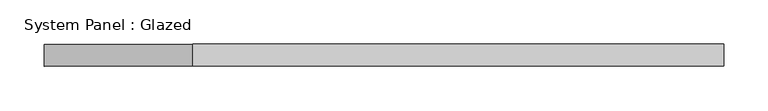
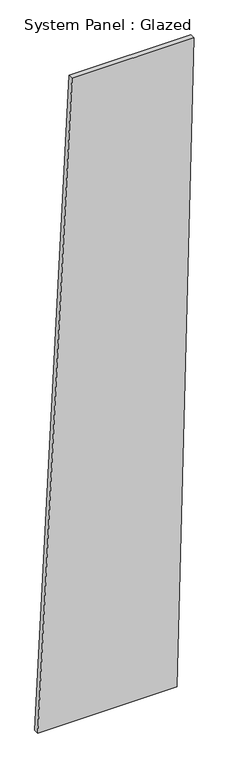
"""IFC4 building model written with IfcOpenShell, lengths in millimetres: plate geometry, System Panel : Glazed."""

import ifcopenshell
import ifcopenshell.guid

model = None  # the IFC model being written
_history = None  # IfcOwnerHistory: only IFC2X3 demands one
_inside = {}  # id of a spatial element -> (the spatial element, [elements in it])
_under = {}  # id of a project, library or spatial element -> (it, [spatial elements below it])
_declared = {}  # id of a project -> (the project, [libraries it declares])
_typed = {}  # id of a type object -> (the type object, [elements of that type])
_made_of = {}  # id of a material, layer set ... -> (it, [elements and type objects made of it])


def new_model(schema):
    """Start an empty IFC model of exactly this schema.

    Asked for "IFC4X3", IfcOpenShell would pick the latest addendum, in which some entities
    have other attributes; the version numbers below select the first issue.
    IFC2X3 requires an IfcOwnerHistory on every rooted entity: one is made here for all.
    """
    global model, _history
    if schema == "IFC4X3":
        model = ifcopenshell.file(schema_version=(4, 3, 0, 0))
    else:
        model = ifcopenshell.file(schema=schema)
    _inside.clear()
    _under.clear()
    _declared.clear()
    _typed.clear()
    _made_of.clear()
    _history = None
    if model.schema == "IFC2X3":
        org = make("IfcOrganization", Name="unknown")
        user = make(
            "IfcPersonAndOrganization",
            ThePerson=make("IfcPerson", FamilyName="unknown"),
            TheOrganization=org,
        )
        app = make(
            "IfcApplication",
            ApplicationDeveloper=org,
            Version="unknown",
            ApplicationFullName="unknown",
            ApplicationIdentifier="unknown",
        )
        _history = make(
            "IfcOwnerHistory",
            OwningUser=user,
            OwningApplication=app,
            ChangeAction="ADDED",
            CreationDate=0,
        )
    return model


def make(cls, **values):
    """One entity of the class cls with the attributes given. An attribute that is None is left unset."""
    return model.create_entity(
        cls, **{name: value for name, value in values.items() if value is not None}
    )


def rooted(cls, **values):
    """An entity with a GlobalId (a new one), such as an element, a storey or a relation."""
    return make(cls, GlobalId=ifcopenshell.guid.new(), OwnerHistory=_history, **values)


def si_unit(unit_type, name, prefix=None):
    """IfcSIUnit, for example si_unit("LENGTHUNIT", "METRE", prefix="MILLI")."""
    return make("IfcSIUnit", UnitType=unit_type, Prefix=prefix, Name=name)


def assignment(units):
    """IfcUnitAssignment: the units of a project."""
    return None if units is None else make("IfcUnitAssignment", Units=units)


def point(xyz):
    """IfcCartesianPoint."""
    return None if xyz is None else make("IfcCartesianPoint", Coordinates=xyz)


def direction(xyz):
    """IfcDirection."""
    return None if xyz is None else make("IfcDirection", DirectionRatios=xyz)


def frame(location, z_axis=None, x_axis=None):
    """IfcAxis2Placement3D, a coordinate frame: its origin and axes. An axis left out is left unset."""
    return make(
        "IfcAxis2Placement3D",
        Location=point(location),
        Axis=direction(z_axis),
        RefDirection=direction(x_axis),
    )


def origin():
    """The frame at (0, 0, 0) with its axes left unset."""
    return frame((0.0, 0.0, 0.0))


def place(relative_to, where):
    """IfcLocalPlacement: puts the frame where relative to a parent placement (None: the world)."""
    return make(
        "IfcLocalPlacement", PlacementRelTo=relative_to, RelativePlacement=where
    )


def context(
    kind, dimensions, precision=None, world=None, true_north=None, identifier=None
):
    """IfcGeometricRepresentationContext, for example the 3D "Model" context."""
    return make(
        "IfcGeometricRepresentationContext",
        ContextIdentifier=identifier,
        ContextType=kind,
        CoordinateSpaceDimension=dimensions,
        Precision=precision,
        WorldCoordinateSystem=world,
        TrueNorth=true_north,
    )


def project(units=None, contexts=None):
    """IfcProject with its units and contexts."""
    return rooted(
        "IfcProject",
        Name="project",
        RepresentationContexts=contexts,
        UnitsInContext=assignment(units),
    )


def spatial(cls, under=None, at=None, **own):
    """A site, building, storey or space (cls), placed at a placement, below another one or the project."""
    s = rooted(cls, ObjectPlacement=at, **own)
    if under is not None:
        _under.setdefault(under.id(), (under, []))[1].append(s)
    return s


def polyline(points):
    """IfcPolyline through the points."""
    return make("IfcPolyline", Points=[point(p) for p in points])


def outline(outer, holes=None, kind="AREA"):
    """IfcArbitraryClosedProfileDef: a profile drawn as a closed curve; with holes, ...WithVoids."""
    if holes is None:
        return make("IfcArbitraryClosedProfileDef", ProfileType=kind, OuterCurve=outer)
    return make(
        "IfcArbitraryProfileDefWithVoids",
        ProfileType=kind,
        OuterCurve=outer,
        InnerCurves=holes,
    )


def extrude(swept, where, along, depth):
    """IfcExtrudedAreaSolid: the profile swept, set in the frame where, extruded along a direction by depth."""
    return make(
        "IfcExtrudedAreaSolid",
        SweptArea=swept,
        Position=where,
        ExtrudedDirection=direction(along),
        Depth=depth,
    )


def shape(context_of_items, identifier, shape_type, items):
    """IfcShapeRepresentation: the items that make up one representation, for example the "Body"."""
    return make(
        "IfcShapeRepresentation",
        ContextOfItems=context_of_items,
        RepresentationIdentifier=identifier,
        RepresentationType=shape_type,
        Items=items,
    )


def source(mapping_origin, context_of_items, identifier, shape_type, items):
    """IfcRepresentationMap: a shape defined once, which mapped items show again and again."""
    return make(
        "IfcRepresentationMap",
        MappingOrigin=mapping_origin,
        MappedRepresentation=shape(context_of_items, identifier, shape_type, items),
    )


def transform(
    local_origin,
    x_axis=None,
    y_axis=None,
    z_axis=None,
    scale=None,
    scale2=None,
    scale3=None,
    uniform=True,
):
    """IfcCartesianTransformationOperator3D, or its non-uniform kind. x_axis, y_axis, z_axis: its Axis1, 2, 3."""
    if uniform:
        return make(
            "IfcCartesianTransformationOperator3D",
            Axis1=direction(x_axis),
            Axis2=direction(y_axis),
            LocalOrigin=point(local_origin),
            Scale=scale,
            Axis3=direction(z_axis),
        )
    return make(
        "IfcCartesianTransformationOperator3DnonUniform",
        Axis1=direction(x_axis),
        Axis2=direction(y_axis),
        LocalOrigin=point(local_origin),
        Scale=scale,
        Axis3=direction(z_axis),
        Scale2=scale2,
        Scale3=scale3,
    )


def mapped(mapping_source, mapping_target):
    """IfcMappedItem: shows the shape of a source again, moved by a transform."""
    return make(
        "IfcMappedItem", MappingSource=mapping_source, MappingTarget=mapping_target
    )


def made_of(thing, what):
    """Note that an element or type object is made of a material, layer set ...; save() writes the relation."""
    if what is not None:
        _made_of.setdefault(what.id(), (what, []))[1].append(thing)
    return thing


def element(
    cls,
    number,
    at=None,
    inside=None,
    cuts=None,
    type_object=None,
    material=None,
    context=None,
    identifier="Body",
    shape_type=None,
    held_by="IfcProductDefinitionShape",
    body=None,
    shapes=None,
    **own,
):
    """One element of the class cls, such as IfcWall. Its Tag is "e" and its number.

    at: its placement. inside: the storey or other place that contains it. cuts: it is an
    opening in that element (IfcRelVoidsElement). A single representation is given by context,
    identifier, shape_type and body (its items); several are given by shapes. held_by: the class
    of the entity that holds the representations. save() writes the other relations.
    """
    e = rooted(cls, Tag="e%d" % number, ObjectPlacement=at, **own)
    if body is not None:
        shapes = [shape(context, identifier, shape_type, body)]
    if shapes is not None:
        e.Representation = make(held_by, Representations=shapes)
    if inside is not None:
        _inside.setdefault(inside.id(), (inside, []))[1].append(e)
    if cuts is not None:
        rooted(
            "IfcRelVoidsElement", RelatingBuildingElement=cuts, RelatedOpeningElement=e
        )
    if type_object is not None:
        _typed.setdefault(type_object.id(), (type_object, []))[1].append(e)
    return made_of(e, material)


def aggregate(whole, parts):
    """IfcRelAggregates: a whole, such as a stair, and the parts it consists of."""
    return rooted("IfcRelAggregates", RelatingObject=whole, RelatedObjects=parts)


def save(model, path):
    """Write the relations noted so far, then the file.

    IfcRelAggregates (storeys below a building ...), IfcRelContainedInSpatialStructure (elements
    in a storey), IfcRelDefinesByType, IfcRelAssociatesMaterial and IfcRelDeclares: one each for
    every whole, place, type object, material and project.
    """
    for whole, parts in _under.values():
        aggregate(whole, parts)
    for where, things in _inside.values():
        rooted(
            "IfcRelContainedInSpatialStructure",
            RelatedElements=things,
            RelatingStructure=where,
        )
    for kind, things in _typed.values():
        rooted("IfcRelDefinesByType", RelatedObjects=things, RelatingType=kind)
    for what, things in _made_of.values():
        rooted("IfcRelAssociatesMaterial", RelatedObjects=things, RelatingMaterial=what)
    for by, libraries in _declared.values():
        rooted("IfcRelDeclares", RelatingContext=by, RelatedDefinitions=libraries)
    model.write(path)


def system_panel_glazed_901bb5d7(model_context):
    return source(origin(), model_context, "Body", "SweptSolid", [
        extrude(outline(polyline([(0.0, -384.0191391), (0.0, 300.0), (3341.4626538, 384.0191391), (3341.4626538, -215.9808609), (0.0, -384.0191391)])), frame((0.0, -49.5, 0.0), z_axis=(0.0, 1.0, 0.0), x_axis=(0.0, 0.0, 1.0)), (0.0, 0.0, 1.0), 25.0),
    ])


if __name__ == "__main__":
    model = new_model("IFC4")
    model_context = context("Model", 3, world=origin())
    ifc_project = project(units=[si_unit("LENGTHUNIT", "METRE", prefix="MILLI")], contexts=[model_context])
    site = spatial("IfcSite", under=ifc_project)
    building = spatial("IfcBuilding", under=site)
    placement = place(None, origin())
    system_panel_glazed_shape = system_panel_glazed_901bb5d7(model_context)
    element("IfcPlate", 1, ObjectType="System Panel : Glazed", at=placement, inside=building, context=model_context, shape_type="MappedRepresentation", body=[
        mapped(system_panel_glazed_shape, transform((0.0, 0.0, 0.0), x_axis=(1.0, 0.0, 0.0), y_axis=(0.0, 1.0, 0.0), z_axis=(0.0, 0.0, 1.0))),
    ])
    save(model, "model.ifc")
